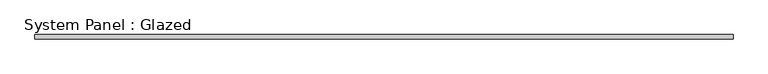
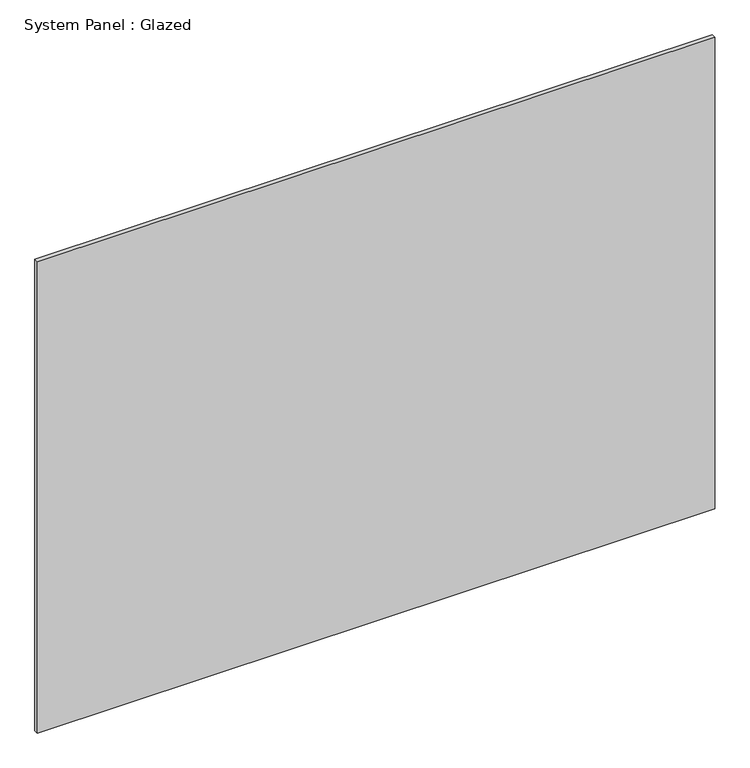
"""IFC4 building model written with IfcOpenShell, lengths in millimetres: plate geometry, System Panel : Glazed."""

from ifc_helpers import new_model, si_unit, origin, origin_with_axes, place, context, project, spatial, polyline, outline, extrude, source, transform, mapped, element, save


def system_panel_glazed_ed49c576(model_context):
    return source(origin(), model_context, "Body", "SweptSolid", [
        extrude(outline(polyline([(2038.3983429, 24.5), (-2038.3983429, 24.5), (-2038.3983429, 49.5), (2038.3983429, 49.5), (2038.3983429, 24.5)])), origin_with_axes(), (0.0, 0.0, 1.0), 3000.0),
    ])


if __name__ == "__main__":
    model = new_model("IFC4")
    model_context = context("Model", 3, world=origin())
    ifc_project = project(units=[si_unit("LENGTHUNIT", "METRE", prefix="MILLI")], contexts=[model_context])
    site = spatial("IfcSite", under=ifc_project)
    building = spatial("IfcBuilding", under=site)
    placement = place(None, origin())
    system_panel_glazed_shape = system_panel_glazed_ed49c576(model_context)
    element("IfcPlate", 1, ObjectType="System Panel : Glazed", at=placement, inside=building, context=model_context, shape_type="MappedRepresentation", body=[
        mapped(system_panel_glazed_shape, transform((0.0, 0.0, 0.0), x_axis=(1.0, 0.0, 0.0), y_axis=(0.0, 1.0, 0.0), z_axis=(0.0, 0.0, 1.0))),
    ])
    save(model, "model.ifc")
